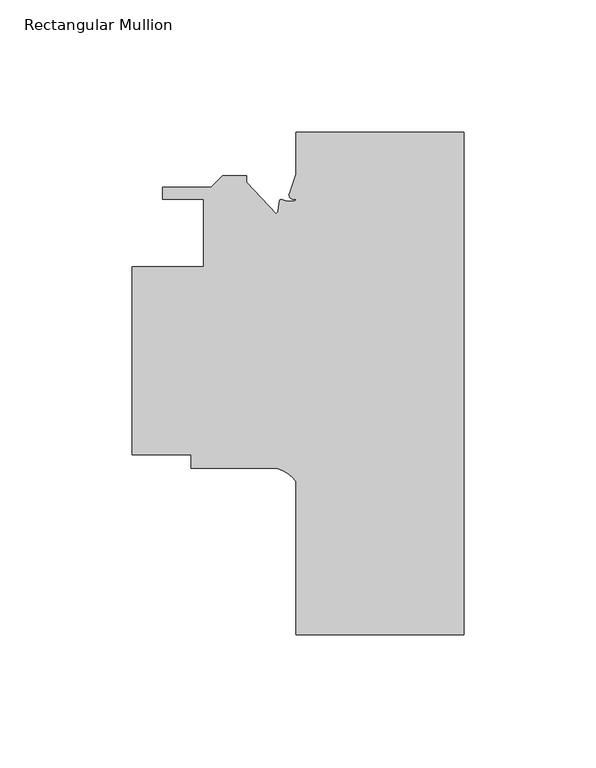
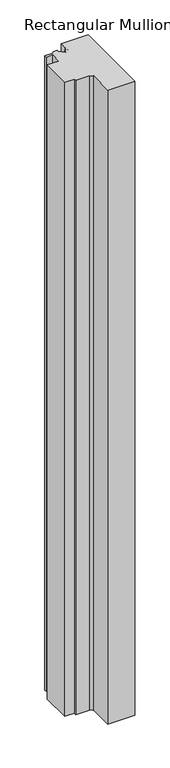
"""IFC4 building model written with IfcOpenShell, lengths in millimetres: member geometry, Rectangular Mullion."""

from ifc_helpers import new_model, si_unit, point, frame, frame_2d, origin, place, context, project, spatial, polyline, circle_curve, trimmed, segment, composite_curve, outline, extrude, source, transform, mapped, element, save


def rectangular_mullion_643ad4fd(model_context):
    return source(origin(), model_context, "Body", "SweptSolid", [
        extrude(outline(composite_curve([segment(polyline([(-125.4125, -121.9200001), (-125.4125, -50.8000003), (-98.4250005, -50.8000003), (-98.4250005, -25.4000003), (-113.9261495, -25.4000003), (-113.9261495, -20.7010001), (-95.5436417, -20.7010001), (-91.2764417, -16.4338001), (-82.1761495, -16.4338001), (-82.1761495, -18.9738), (-70.9271937, -30.7852036)]), True, "CONTINUOUS"), segment(trimmed(circle_curve(frame_2d((-71.57951, -29.6955323)), 1.27), [point((-70.9271937, -30.7852036))], [point((-70.3288042, -29.9160655))], True, "CARTESIAN"), True, "CONTINUOUS"), segment(polyline([(-70.3288042, -29.9160655), (-69.6065197, -25.8197869)]), True, "CONTINUOUS"), segment(trimmed(circle_curve(frame_2d((-68.881251, -26.1996382)), 0.8187196), [point((-69.6065197, -25.8197869))], [point((-68.537626, -25.4565207))], False, "CARTESIAN"), True, "CONTINUOUS"), segment(trimmed(circle_curve(frame_2d((-65.837746, -19.6178066)), 6.4327237), [point((-68.537626, -25.4565207))], [point((-62.9875511, -25.3846361))], True, "CARTESIAN"), True, "CONTINUOUS"), segment(trimmed(circle_curve(frame_2d((-59.1992482, -486.4078197)), 461.0387479), [point((-62.9875511, -25.3846361))], [point((-64.5341288, -25.399939))], True, "CARTESIAN"), True, "CONTINUOUS"), segment(trimmed(circle_curve(frame_2d((-64.3364105, -23.7196604)), 1.6918713), [point((-64.5341288, -25.399939))], [point((-65.9411389, -23.1836795))], False, "CARTESIAN"), True, "CONTINUOUS"), segment(polyline([(-65.9411389, -23.1836795), (-63.5, -15.8749023), (-63.5, 0.0), (0.0, 0.0), (0.0, -189.992), (-63.5, -189.992), (-63.5, -131.8385649)]), True, "CONTINUOUS"), segment(trimmed(circle_curve(frame_2d((-74.3196816, -140.2308138)), 13.6928942), [point((-63.5, -131.8385649))], [point((-70.7925126, -127.0000001))], True, "CARTESIAN"), True, "CONTINUOUS"), segment(polyline([(-70.7925126, -127.0000001), (-103.1875, -127.0000001), (-103.1875, -121.9200001), (-125.4125, -121.9200001)]), True, "CONTINUOUS")], self_intersect=False)), frame((0.0, 0.0, -1577.975), z_axis=(0.0, 0.0, 1.0), x_axis=(1.0, 0.0, 0.0)), (0.0, 0.0, 1.0), 1577.975),
    ])


if __name__ == "__main__":
    model = new_model("IFC4")
    model_context = context("Model", 3, world=origin())
    ifc_project = project(units=[si_unit("LENGTHUNIT", "METRE", prefix="MILLI")], contexts=[model_context])
    site = spatial("IfcSite", under=ifc_project)
    building = spatial("IfcBuilding", under=site)
    placement = place(None, origin())
    rectangular_mullion_shape = rectangular_mullion_643ad4fd(model_context)
    element("IfcMember", 1, ObjectType="Rectangular Mullion", at=placement, inside=building, context=model_context, shape_type="MappedRepresentation", body=[
        mapped(rectangular_mullion_shape, transform((0.0, 0.0, 0.0), x_axis=(1.0, 0.0, 0.0), y_axis=(0.0, 1.0, 0.0), z_axis=(0.0, 0.0, 1.0))),
    ])
    save(model, "model.ifc")
